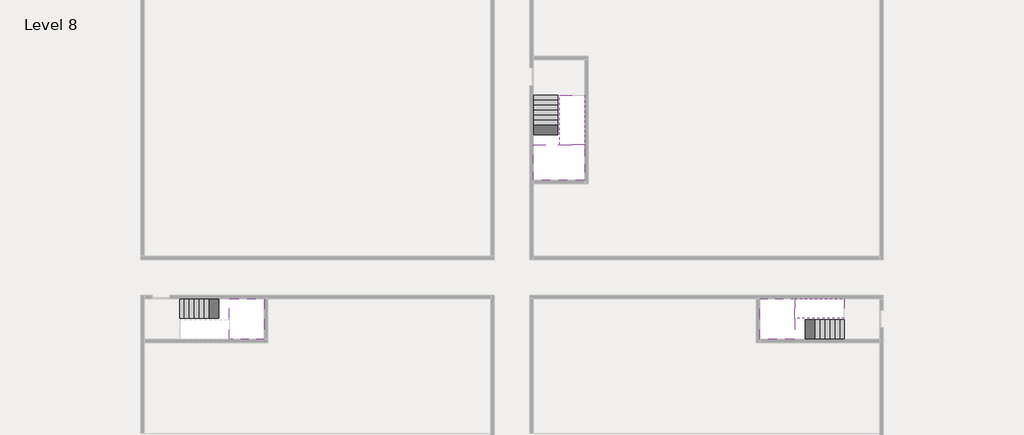
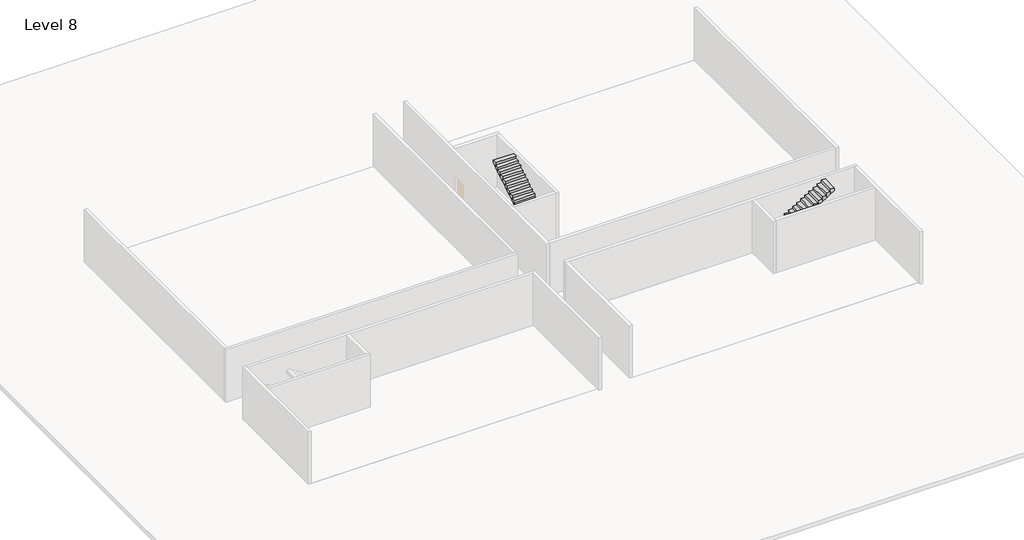
# One storey, part 2 of 2: 5 stair flights, 3 slabs.
"""IFC4 building model written with IfcOpenShell, lengths in millimetres."""

from ifc_helpers import new_model, si_unit, origin, place, context, project, spatial, faceted_brep, element, save

model = new_model("IFC4")

# Units and contexts
model_context = context("Model", 3, world=origin())
ifc_project = project(units=[si_unit("LENGTHUNIT", "METRE", prefix="MILLI")], contexts=[model_context])

# Site, building, storey
site = spatial("IfcSite", under=ifc_project)
building = spatial("IfcBuilding", under=site)
storey = spatial("IfcBuildingStorey", under=building, Name="Level 8", Elevation=26600.0)

# Slabs
placement = place(None, origin())
element("IfcSlab", 1, at=placement, inside=storey, context=model_context, shape_type="Brep", body=[
    faceted_brep([(8190.1058784, -42918.09644, 28500.0), (8190.1058784, -44018.09644, 28500.0), (8190.1058784, -44118.09644, 28500.0), (8190.1058784, -45218.09644, 28500.0), (8390.7194421, -45218.09644, 28500.0), (10190.1058784, -45218.09644, 28500.0), (10190.1058784, -42918.09644, 28500.0), (8269.4923146, -42918.09644, 28500.0), (8190.1058784, -42918.09644, 28327.2727273), (8190.1058784, -42918.09644, 28151.0278478), (8190.1058784, -44018.09644, 28151.0278478), (8190.1058784, -44018.09644, 28200.0), (8190.1058784, -44118.09644, 28200.0), (8190.1058784, -44118.09644, 28323.7551205), (8190.1058784, -45218.09644, 28323.7551205), (8390.7194421, -45218.09644, 28200.0), (10190.1058784, -45218.09644, 28200.0), (10190.1058784, -42918.09644, 28200.0), (8269.4923146, -42918.09644, 28200.0), (8390.7194421, -44118.09644, 28200.0), (8269.4923146, -44018.09644, 28200.0)], [[[0, 1, 2, 3, 4, 5, 6, 7]], [[1, 0, 8, 9, 10, 11]], [[2, 1, 11, 12, 13]], [[3, 2, 13, 14]], [[3, 14, 15, 16, 5, 4]], [[6, 5, 16, 17]], [[9, 8, 0, 7, 6, 17, 18]], [[19, 12, 11, 20, 18, 17, 16, 15]], [[12, 19, 13]], [[18, 20, 10, 9]], [[20, 11, 10]], [[19, 15, 14, 13]]]),
])
element("IfcSlab", 2, at=placement, inside=storey, context=model_context, shape_type="Brep", body=[
    faceted_brep([(40190.1058784, -45218.09644, 28500.0), (40190.1058784, -44118.09644, 28500.0), (40190.1058784, -44018.09644, 28500.0), (40190.1058784, -42918.09644, 28500.0), (39989.4923146, -42918.09644, 28500.0), (38190.1058784, -42918.09644, 28500.0), (38190.1058784, -45218.09644, 28500.0), (40110.7194421, -45218.09644, 28500.0), (40190.1058784, -45218.09644, 28327.2727273), (40190.1058784, -45218.09644, 28151.0278478), (40190.1058784, -44118.09644, 28151.0278478), (40190.1058784, -44118.09644, 28200.0), (40190.1058784, -44018.09644, 28200.0), (40190.1058784, -44018.09644, 28323.7551205), (40190.1058784, -42918.09644, 28323.7551205), (39989.4923146, -42918.09644, 28200.0), (38190.1058784, -42918.09644, 28200.0), (38190.1058784, -45218.09644, 28200.0), (40110.7194421, -45218.09644, 28200.0), (39989.4923146, -44018.09644, 28200.0), (40110.7194421, -44118.09644, 28200.0)], [[[0, 1, 2, 3, 4, 5, 6, 7]], [[1, 0, 8, 9, 10, 11]], [[2, 1, 11, 12, 13]], [[3, 2, 13, 14]], [[3, 14, 15, 16, 5, 4]], [[6, 5, 16, 17]], [[9, 8, 0, 7, 6, 17, 18]], [[19, 12, 11, 20, 18, 17, 16, 15]], [[12, 19, 13]], [[18, 20, 10, 9]], [[20, 11, 10]], [[19, 15, 14, 13]]]),
])
element("IfcSlab", 3, at=placement, inside=storey, context=model_context, shape_type="Brep", body=[
    faceted_brep([(26790.1058784, -34218.09644, 28500.0), (25390.1058784, -34218.09644, 28500.0), (25390.1058784, -34297.4828763, 28500.0), (25390.1058784, -36218.09644, 28500.0), (28290.1058784, -36218.09644, 28500.0), (28290.1058784, -34418.7100038, 28500.0), (28290.1058784, -34218.09644, 28500.0), (26890.1058784, -34218.09644, 28500.0), (26790.1058784, -34218.09644, 28200.0), (26790.1058784, -34218.09644, 28151.0278478), (25390.1058784, -34218.09644, 28151.0278478), (25390.1058784, -34218.09644, 28327.2727273), (25390.1058784, -34297.4828763, 28200.0), (25390.1058784, -36218.09644, 28200.0), (28290.1058784, -36218.09644, 28200.0), (28290.1058784, -34418.7100038, 28200.0), (28290.1058784, -34218.09644, 28323.7551205), (26890.1058784, -34218.09644, 28323.7551205), (26890.1058784, -34218.09644, 28200.0), (26890.1058784, -34418.7100038, 28200.0), (26790.1058784, -34297.4828763, 28200.0)], [[[0, 1, 2, 3, 4, 5, 6, 7]], [[1, 0, 8, 9, 10, 11]], [[1, 11, 10, 12, 13, 3, 2]], [[4, 3, 13, 14]], [[4, 14, 15, 16, 6, 5]], [[7, 6, 16, 17]], [[0, 7, 17, 18, 8]], [[18, 19, 15, 14, 13, 12, 20, 8]], [[19, 18, 17]], [[20, 12, 10, 9]], [[8, 20, 9]], [[15, 19, 17, 16]]]),
])

# Stair flights
element("IfcStairFlight", 4, at=placement, inside=storey, context=model_context, shape_type="Brep", body=[
    faceted_brep([(5670.1058784, -42918.09644, 26772.7272727), (5390.1058784, -42918.09644, 26772.7272727), (5390.1058784, -44018.09644, 26772.7272727), (5670.1058784, -44018.09644, 26772.7272727), (5670.1058784, -42918.09644, 26600.0), (5390.1058784, -42918.09644, 26600.0), (5390.1058784, -44018.09644, 26600.0), (5670.1058784, -44018.09644, 26600.0), (5950.1058784, -42918.09644, 26945.4545455), (5670.1058784, -42918.09644, 26945.4545455), (5670.1058784, -44018.09644, 26945.4545455), (5950.1058784, -44018.09644, 26945.4545455), (5950.1058784, -42918.09644, 26769.209666), (5675.8081041, -42918.09644, 26600.0), (5675.8081041, -44018.09644, 26600.0), (5950.1058784, -44018.09644, 26769.209666), (6230.1058784, -42918.09644, 27118.1818182), (5950.1058784, -42918.09644, 27118.1818182), (5950.1058784, -44018.09644, 27118.1818182), (6230.1058784, -44018.09644, 27118.1818182), (6230.1058784, -42918.09644, 26941.9369387), (6230.1058784, -44018.09644, 26941.9369387), (6510.1058784, -42918.09644, 27290.9090909), (6230.1058784, -42918.09644, 27290.9090909), (6230.1058784, -44018.09644, 27290.9090909), (6510.1058784, -44018.09644, 27290.9090909), (6510.1058784, -42918.09644, 27114.6642114), (6510.1058784, -44018.09644, 27114.6642114), (6790.1058784, -42918.09644, 27463.6363636), (6510.1058784, -42918.09644, 27463.6363636), (6510.1058784, -44018.09644, 27463.6363636), (6790.1058784, -44018.09644, 27463.6363636), (6790.1058784, -42918.09644, 27287.3914841), (6790.1058784, -44018.09644, 27287.3914841), (7070.1058784, -42918.09644, 27636.3636364), (6790.1058784, -42918.09644, 27636.3636364), (6790.1058784, -44018.09644, 27636.3636364), (7070.1058784, -44018.09644, 27636.3636364), (7070.1058784, -42918.09644, 27460.1187569), (7070.1058784, -44018.09644, 27460.1187569), (7350.1058784, -42918.09644, 27809.0909091), (7070.1058784, -42918.09644, 27809.0909091), (7070.1058784, -44018.09644, 27809.0909091), (7350.1058784, -44018.09644, 27809.0909091), (7350.1058784, -42918.09644, 27632.8460296), (7350.1058784, -44018.09644, 27632.8460296), (7630.1058784, -42918.09644, 27981.8181818), (7350.1058784, -42918.09644, 27981.8181818), (7350.1058784, -44018.09644, 27981.8181818), (7630.1058784, -44018.09644, 27981.8181818), (7630.1058784, -42918.09644, 27805.5733023), (7630.1058784, -44018.09644, 27805.5733023), (7910.1058784, -42918.09644, 28154.5454545), (7630.1058784, -42918.09644, 28154.5454545), (7630.1058784, -44018.09644, 28154.5454545), (7910.1058784, -44018.09644, 28154.5454545), (7910.1058784, -42918.09644, 27978.3005751), (7910.1058784, -44018.09644, 27978.3005751), (8190.1058784, -42918.09644, 28327.2727273), (7910.1058784, -42918.09644, 28327.2727273), (7910.1058784, -44018.09644, 28327.2727273), (8190.1058784, -44018.09644, 28327.2727273), (8190.1058784, -42918.09644, 28151.0278478), (8190.1058784, -44018.09644, 28151.0278478), (8190.1058784, -44018.09644, 28200.0)], [[[0, 1, 2, 3]], [[1, 0, 4, 5]], [[2, 1, 5, 6]], [[3, 2, 6, 7]], [[8, 9, 10, 11]], [[4, 0, 9, 8, 12, 13]], [[0, 3, 10, 9]], [[3, 7, 14, 15, 11, 10]], [[16, 17, 18, 19]], [[17, 16, 20, 12, 8]], [[8, 11, 18, 17]], [[19, 18, 11, 15, 21]], [[22, 23, 24, 25]], [[23, 22, 26, 20, 16]], [[16, 19, 24, 23]], [[25, 24, 19, 21, 27]], [[28, 29, 30, 31]], [[29, 28, 32, 26, 22]], [[22, 25, 30, 29]], [[31, 30, 25, 27, 33]], [[34, 35, 36, 37]], [[35, 34, 38, 32, 28]], [[28, 31, 36, 35]], [[37, 36, 31, 33, 39]], [[40, 41, 42, 43]], [[41, 40, 44, 38, 34]], [[34, 37, 42, 41]], [[43, 42, 37, 39, 45]], [[46, 47, 48, 49]], [[47, 46, 50, 44, 40]], [[40, 43, 48, 47]], [[49, 48, 43, 45, 51]], [[52, 53, 54, 55]], [[53, 52, 56, 50, 46]], [[46, 49, 54, 53]], [[55, 54, 49, 51, 57]], [[58, 59, 60, 61]], [[59, 58, 62, 56, 52]], [[52, 55, 60, 59]], [[61, 60, 55, 57, 63, 64]], [[58, 61, 64, 63, 62]], [[5, 4, 13, 14, 7, 6]], [[14, 13, 12, 20, 26, 32, 38, 44, 50, 56, 62, 63, 57, 51, 45, 39, 33, 27, 21, 15]]]),
])
element("IfcStairFlight", 5, at=placement, inside=storey, context=model_context, shape_type="Brep", body=[
    faceted_brep([(42710.1058784, -45218.09644, 26772.7272727), (42990.1058784, -45218.09644, 26772.7272727), (42990.1058784, -44118.09644, 26772.7272727), (42710.1058784, -44118.09644, 26772.7272727), (42710.1058784, -45218.09644, 26600.0), (42990.1058784, -45218.09644, 26600.0), (42990.1058784, -44118.09644, 26600.0), (42710.1058784, -44118.09644, 26600.0), (42430.1058784, -45218.09644, 26945.4545455), (42710.1058784, -45218.09644, 26945.4545455), (42710.1058784, -44118.09644, 26945.4545455), (42430.1058784, -44118.09644, 26945.4545455), (42430.1058784, -45218.09644, 26769.209666), (42704.4036527, -45218.09644, 26600.0), (42704.4036527, -44118.09644, 26600.0), (42430.1058784, -44118.09644, 26769.209666), (42150.1058784, -45218.09644, 27118.1818182), (42430.1058784, -45218.09644, 27118.1818182), (42430.1058784, -44118.09644, 27118.1818182), (42150.1058784, -44118.09644, 27118.1818182), (42150.1058784, -45218.09644, 26941.9369387), (42150.1058784, -44118.09644, 26941.9369387), (41870.1058784, -45218.09644, 27290.9090909), (42150.1058784, -45218.09644, 27290.9090909), (42150.1058784, -44118.09644, 27290.9090909), (41870.1058784, -44118.09644, 27290.9090909), (41870.1058784, -45218.09644, 27114.6642114), (41870.1058784, -44118.09644, 27114.6642114), (41590.1058784, -45218.09644, 27463.6363636), (41870.1058784, -45218.09644, 27463.6363636), (41870.1058784, -44118.09644, 27463.6363636), (41590.1058784, -44118.09644, 27463.6363636), (41590.1058784, -45218.09644, 27287.3914841), (41590.1058784, -44118.09644, 27287.3914841), (41310.1058784, -45218.09644, 27636.3636364), (41590.1058784, -45218.09644, 27636.3636364), (41590.1058784, -44118.09644, 27636.3636364), (41310.1058784, -44118.09644, 27636.3636364), (41310.1058784, -45218.09644, 27460.1187569), (41310.1058784, -44118.09644, 27460.1187569), (41030.1058784, -45218.09644, 27809.0909091), (41310.1058784, -45218.09644, 27809.0909091), (41310.1058784, -44118.09644, 27809.0909091), (41030.1058784, -44118.09644, 27809.0909091), (41030.1058784, -45218.09644, 27632.8460296), (41030.1058784, -44118.09644, 27632.8460296), (40750.1058784, -45218.09644, 27981.8181818), (41030.1058784, -45218.09644, 27981.8181818), (41030.1058784, -44118.09644, 27981.8181818), (40750.1058784, -44118.09644, 27981.8181818), (40750.1058784, -45218.09644, 27805.5733023), (40750.1058784, -44118.09644, 27805.5733023), (40470.1058784, -45218.09644, 28154.5454545), (40750.1058784, -45218.09644, 28154.5454545), (40750.1058784, -44118.09644, 28154.5454545), (40470.1058784, -44118.09644, 28154.5454545), (40470.1058784, -45218.09644, 27978.3005751), (40470.1058784, -44118.09644, 27978.3005751), (40190.1058784, -45218.09644, 28327.2727273), (40470.1058784, -45218.09644, 28327.2727273), (40470.1058784, -44118.09644, 28327.2727273), (40190.1058784, -44118.09644, 28327.2727273), (40190.1058784, -45218.09644, 28151.0278478), (40190.1058784, -44118.09644, 28151.0278478), (40190.1058784, -44118.09644, 28200.0)], [[[0, 1, 2, 3]], [[1, 0, 4, 5]], [[2, 1, 5, 6]], [[3, 2, 6, 7]], [[8, 9, 10, 11]], [[4, 0, 9, 8, 12, 13]], [[0, 3, 10, 9]], [[3, 7, 14, 15, 11, 10]], [[16, 17, 18, 19]], [[17, 16, 20, 12, 8]], [[8, 11, 18, 17]], [[19, 18, 11, 15, 21]], [[22, 23, 24, 25]], [[23, 22, 26, 20, 16]], [[16, 19, 24, 23]], [[25, 24, 19, 21, 27]], [[28, 29, 30, 31]], [[29, 28, 32, 26, 22]], [[22, 25, 30, 29]], [[31, 30, 25, 27, 33]], [[34, 35, 36, 37]], [[35, 34, 38, 32, 28]], [[28, 31, 36, 35]], [[37, 36, 31, 33, 39]], [[40, 41, 42, 43]], [[41, 40, 44, 38, 34]], [[34, 37, 42, 41]], [[43, 42, 37, 39, 45]], [[46, 47, 48, 49]], [[47, 46, 50, 44, 40]], [[40, 43, 48, 47]], [[49, 48, 43, 45, 51]], [[52, 53, 54, 55]], [[53, 52, 56, 50, 46]], [[46, 49, 54, 53]], [[55, 54, 49, 51, 57]], [[58, 59, 60, 61]], [[59, 58, 62, 56, 52]], [[52, 55, 60, 59]], [[61, 60, 55, 57, 63, 64]], [[58, 61, 64, 63, 62]], [[5, 4, 13, 14, 7, 6]], [[14, 13, 12, 20, 26, 32, 38, 44, 50, 56, 62, 63, 57, 51, 45, 39, 33, 27, 21, 15]]]),
])
element("IfcStairFlight", 6, at=placement, inside=storey, context=model_context, shape_type="Brep", body=[
    faceted_brep([(40470.1058784, -42918.09644, 28672.7272727), (40190.1058784, -42918.09644, 28672.7272727), (40190.1058784, -44018.09644, 28672.7272727), (40470.1058784, -44018.09644, 28672.7272727), (40470.1058784, -42918.09644, 28496.4823932), (40190.1058784, -42918.09644, 28323.7551205), (40190.1058784, -42918.09644, 28500.0), (40190.1058784, -44018.09644, 28323.7551205), (40470.1058784, -44018.09644, 28496.4823932), (40750.1058784, -42918.09644, 28845.4545455), (40470.1058784, -42918.09644, 28845.4545455), (40470.1058784, -44018.09644, 28845.4545455), (40750.1058784, -44018.09644, 28845.4545455), (40750.1058784, -42918.09644, 28669.209666), (40750.1058784, -44018.09644, 28669.209666), (41030.1058784, -42918.09644, 29018.1818182), (40750.1058784, -42918.09644, 29018.1818182), (40750.1058784, -44018.09644, 29018.1818182), (41030.1058784, -44018.09644, 29018.1818182), (41030.1058784, -42918.09644, 28841.9369387), (41030.1058784, -44018.09644, 28841.9369387), (41310.1058784, -42918.09644, 29190.9090909), (41030.1058784, -42918.09644, 29190.9090909), (41030.1058784, -44018.09644, 29190.9090909), (41310.1058784, -44018.09644, 29190.9090909), (41310.1058784, -42918.09644, 29014.6642114), (41310.1058784, -44018.09644, 29014.6642114), (41590.1058784, -42918.09644, 29363.6363636), (41310.1058784, -42918.09644, 29363.6363636), (41310.1058784, -44018.09644, 29363.6363636), (41590.1058784, -44018.09644, 29363.6363636), (41590.1058784, -42918.09644, 29187.3914841), (41590.1058784, -44018.09644, 29187.3914841), (41870.1058784, -42918.09644, 29536.3636364), (41590.1058784, -42918.09644, 29536.3636364), (41590.1058784, -44018.09644, 29536.3636364), (41870.1058784, -44018.09644, 29536.3636364), (41870.1058784, -42918.09644, 29360.1187569), (41870.1058784, -44018.09644, 29360.1187569), (42150.1058784, -42918.09644, 29709.0909091), (41870.1058784, -42918.09644, 29709.0909091), (41870.1058784, -44018.09644, 29709.0909091), (42150.1058784, -44018.09644, 29709.0909091), (42150.1058784, -42918.09644, 29532.8460296), (42150.1058784, -44018.09644, 29532.8460296), (42430.1058784, -42918.09644, 29881.8181818), (42150.1058784, -42918.09644, 29881.8181818), (42150.1058784, -44018.09644, 29881.8181818), (42430.1058784, -44018.09644, 29881.8181818), (42430.1058784, -42918.09644, 29705.5733023), (42430.1058784, -44018.09644, 29705.5733023), (42710.1058784, -42918.09644, 30054.5454545), (42430.1058784, -42918.09644, 30054.5454545), (42430.1058784, -44018.09644, 30054.5454545), (42710.1058784, -44018.09644, 30054.5454545), (42710.1058784, -42918.09644, 29878.3005751), (42710.1058784, -44018.09644, 29878.3005751), (42990.1058784, -42918.09644, 30227.2727273), (42710.1058784, -42918.09644, 30227.2727273), (42710.1058784, -44018.09644, 30227.2727273), (42990.1058784, -44018.09644, 30227.2727273), (42990.1058784, -42918.09644, 30051.0278478), (42990.1058784, -44018.09644, 30051.0278478)], [[[0, 1, 2, 3]], [[1, 0, 4, 5, 6]], [[2, 1, 6, 5, 7]], [[3, 2, 7, 8]], [[9, 10, 11, 12]], [[10, 9, 13, 4, 0]], [[11, 10, 0, 3]], [[12, 11, 3, 8, 14]], [[15, 16, 17, 18]], [[16, 15, 19, 13, 9]], [[17, 16, 9, 12]], [[18, 17, 12, 14, 20]], [[21, 22, 23, 24]], [[22, 21, 25, 19, 15]], [[23, 22, 15, 18]], [[24, 23, 18, 20, 26]], [[27, 28, 29, 30]], [[28, 27, 31, 25, 21]], [[29, 28, 21, 24]], [[30, 29, 24, 26, 32]], [[33, 34, 35, 36]], [[34, 33, 37, 31, 27]], [[35, 34, 27, 30]], [[36, 35, 30, 32, 38]], [[39, 40, 41, 42]], [[40, 39, 43, 37, 33]], [[41, 40, 33, 36]], [[42, 41, 36, 38, 44]], [[45, 46, 47, 48]], [[46, 45, 49, 43, 39]], [[47, 46, 39, 42]], [[48, 47, 42, 44, 50]], [[51, 52, 53, 54]], [[52, 51, 55, 49, 45]], [[53, 52, 45, 48]], [[54, 53, 48, 50, 56]], [[57, 58, 59, 60]], [[58, 57, 61, 55, 51]], [[59, 58, 51, 54]], [[60, 59, 54, 56, 62]], [[57, 60, 62, 61]], [[5, 4, 13, 19, 25, 31, 37, 43, 49, 55, 61, 62, 56, 50, 44, 38, 32, 26, 20, 14, 8, 7]]]),
])
element("IfcStairFlight", 7, at=placement, inside=storey, context=model_context, shape_type="Brep", body=[
    faceted_brep([(26790.1058784, -31698.09644, 26772.7272727), (26790.1058784, -31418.09644, 26772.7272727), (25390.1058784, -31418.09644, 26772.7272727), (25390.1058784, -31698.09644, 26772.7272727), (26790.1058784, -31698.09644, 26600.0), (26790.1058784, -31418.09644, 26600.0), (25390.1058784, -31418.09644, 26600.0), (25390.1058784, -31698.09644, 26600.0), (26790.1058784, -31978.09644, 26945.4545455), (26790.1058784, -31698.09644, 26945.4545455), (25390.1058784, -31698.09644, 26945.4545455), (25390.1058784, -31978.09644, 26945.4545455), (26790.1058784, -31978.09644, 26769.209666), (26790.1058784, -31703.7986657, 26600.0), (25390.1058784, -31703.7986657, 26600.0), (25390.1058784, -31978.09644, 26769.209666), (26790.1058784, -32258.09644, 27118.1818182), (26790.1058784, -31978.09644, 27118.1818182), (25390.1058784, -31978.09644, 27118.1818182), (25390.1058784, -32258.09644, 27118.1818182), (26790.1058784, -32258.09644, 26941.9369387), (25390.1058784, -32258.09644, 26941.9369387), (26790.1058784, -32538.09644, 27290.9090909), (26790.1058784, -32258.09644, 27290.9090909), (25390.1058784, -32258.09644, 27290.9090909), (25390.1058784, -32538.09644, 27290.9090909), (26790.1058784, -32538.09644, 27114.6642114), (25390.1058784, -32538.09644, 27114.6642114), (26790.1058784, -32818.09644, 27463.6363636), (26790.1058784, -32538.09644, 27463.6363636), (25390.1058784, -32538.09644, 27463.6363636), (25390.1058784, -32818.09644, 27463.6363636), (26790.1058784, -32818.09644, 27287.3914841), (25390.1058784, -32818.09644, 27287.3914841), (26790.1058784, -33098.09644, 27636.3636364), (26790.1058784, -32818.09644, 27636.3636364), (25390.1058784, -32818.09644, 27636.3636364), (25390.1058784, -33098.09644, 27636.3636364), (26790.1058784, -33098.09644, 27460.1187569), (25390.1058784, -33098.09644, 27460.1187569), (26790.1058784, -33378.09644, 27809.0909091), (26790.1058784, -33098.09644, 27809.0909091), (25390.1058784, -33098.09644, 27809.0909091), (25390.1058784, -33378.09644, 27809.0909091), (26790.1058784, -33378.09644, 27632.8460296), (25390.1058784, -33378.09644, 27632.8460296), (26790.1058784, -33658.09644, 27981.8181818), (26790.1058784, -33378.09644, 27981.8181818), (25390.1058784, -33378.09644, 27981.8181818), (25390.1058784, -33658.09644, 27981.8181818), (26790.1058784, -33658.09644, 27805.5733023), (25390.1058784, -33658.09644, 27805.5733023), (26790.1058784, -33938.09644, 28154.5454545), (26790.1058784, -33658.09644, 28154.5454545), (25390.1058784, -33658.09644, 28154.5454545), (25390.1058784, -33938.09644, 28154.5454545), (26790.1058784, -33938.09644, 27978.3005751), (25390.1058784, -33938.09644, 27978.3005751), (26790.1058784, -34218.09644, 28327.2727273), (26790.1058784, -33938.09644, 28327.2727273), (25390.1058784, -33938.09644, 28327.2727273), (25390.1058784, -34218.09644, 28327.2727273), (26790.1058784, -34218.09644, 28200.0), (26790.1058784, -34218.09644, 28151.0278478), (25390.1058784, -34218.09644, 28151.0278478)], [[[0, 1, 2, 3]], [[1, 0, 4, 5]], [[2, 1, 5, 6]], [[3, 2, 6, 7]], [[8, 9, 10, 11]], [[4, 0, 9, 8, 12, 13]], [[0, 3, 10, 9]], [[3, 7, 14, 15, 11, 10]], [[16, 17, 18, 19]], [[17, 16, 20, 12, 8]], [[8, 11, 18, 17]], [[19, 18, 11, 15, 21]], [[22, 23, 24, 25]], [[23, 22, 26, 20, 16]], [[16, 19, 24, 23]], [[25, 24, 19, 21, 27]], [[28, 29, 30, 31]], [[29, 28, 32, 26, 22]], [[22, 25, 30, 29]], [[31, 30, 25, 27, 33]], [[34, 35, 36, 37]], [[35, 34, 38, 32, 28]], [[28, 31, 36, 35]], [[37, 36, 31, 33, 39]], [[40, 41, 42, 43]], [[41, 40, 44, 38, 34]], [[34, 37, 42, 41]], [[43, 42, 37, 39, 45]], [[46, 47, 48, 49]], [[47, 46, 50, 44, 40]], [[40, 43, 48, 47]], [[49, 48, 43, 45, 51]], [[52, 53, 54, 55]], [[53, 52, 56, 50, 46]], [[46, 49, 54, 53]], [[55, 54, 49, 51, 57]], [[58, 59, 60, 61]], [[59, 58, 62, 63, 56, 52]], [[52, 55, 60, 59]], [[61, 60, 55, 57, 64]], [[58, 61, 64, 63, 62]], [[5, 4, 13, 14, 7, 6]], [[14, 13, 12, 20, 26, 32, 38, 44, 50, 56, 63, 64, 57, 51, 45, 39, 33, 27, 21, 15]]]),
])
element("IfcStairFlight", 8, at=placement, inside=storey, context=model_context, shape_type="Brep", body=[
    faceted_brep([(26890.1058784, -33938.09644, 28672.7272727), (26890.1058784, -34218.09644, 28672.7272727), (28290.1058784, -34218.09644, 28672.7272727), (28290.1058784, -33938.09644, 28672.7272727), (26890.1058784, -33938.09644, 28496.4823932), (26890.1058784, -34218.09644, 28323.7551205), (28290.1058784, -34218.09644, 28323.7551205), (28290.1058784, -34218.09644, 28500.0), (28290.1058784, -33938.09644, 28496.4823932), (26890.1058784, -33658.09644, 28845.4545455), (26890.1058784, -33938.09644, 28845.4545455), (28290.1058784, -33938.09644, 28845.4545455), (28290.1058784, -33658.09644, 28845.4545455), (26890.1058784, -33658.09644, 28669.209666), (28290.1058784, -33658.09644, 28669.209666), (26890.1058784, -33378.09644, 29018.1818182), (26890.1058784, -33658.09644, 29018.1818182), (28290.1058784, -33658.09644, 29018.1818182), (28290.1058784, -33378.09644, 29018.1818182), (26890.1058784, -33378.09644, 28841.9369387), (28290.1058784, -33378.09644, 28841.9369387), (26890.1058784, -33098.09644, 29190.9090909), (26890.1058784, -33378.09644, 29190.9090909), (28290.1058784, -33378.09644, 29190.9090909), (28290.1058784, -33098.09644, 29190.9090909), (26890.1058784, -33098.09644, 29014.6642114), (28290.1058784, -33098.09644, 29014.6642114), (26890.1058784, -32818.09644, 29363.6363636), (26890.1058784, -33098.09644, 29363.6363636), (28290.1058784, -33098.09644, 29363.6363636), (28290.1058784, -32818.09644, 29363.6363636), (26890.1058784, -32818.09644, 29187.3914841), (28290.1058784, -32818.09644, 29187.3914841), (26890.1058784, -32538.09644, 29536.3636364), (26890.1058784, -32818.09644, 29536.3636364), (28290.1058784, -32818.09644, 29536.3636364), (28290.1058784, -32538.09644, 29536.3636364), (26890.1058784, -32538.09644, 29360.1187569), (28290.1058784, -32538.09644, 29360.1187569), (26890.1058784, -32258.09644, 29709.0909091), (26890.1058784, -32538.09644, 29709.0909091), (28290.1058784, -32538.09644, 29709.0909091), (28290.1058784, -32258.09644, 29709.0909091), (26890.1058784, -32258.09644, 29532.8460296), (28290.1058784, -32258.09644, 29532.8460296), (26890.1058784, -31978.09644, 29881.8181818), (26890.1058784, -32258.09644, 29881.8181818), (28290.1058784, -32258.09644, 29881.8181818), (28290.1058784, -31978.09644, 29881.8181818), (26890.1058784, -31978.09644, 29705.5733023), (28290.1058784, -31978.09644, 29705.5733023), (26890.1058784, -31698.09644, 30054.5454545), (26890.1058784, -31978.09644, 30054.5454545), (28290.1058784, -31978.09644, 30054.5454545), (28290.1058784, -31698.09644, 30054.5454545), (26890.1058784, -31698.09644, 29878.3005751), (28290.1058784, -31698.09644, 29878.3005751), (26890.1058784, -31418.09644, 30227.2727273), (26890.1058784, -31698.09644, 30227.2727273), (28290.1058784, -31698.09644, 30227.2727273), (28290.1058784, -31418.09644, 30227.2727273), (26890.1058784, -31418.09644, 30051.0278478), (28290.1058784, -31418.09644, 30051.0278478)], [[[0, 1, 2, 3]], [[1, 0, 4, 5]], [[2, 1, 5, 6, 7]], [[3, 2, 7, 6, 8]], [[9, 10, 11, 12]], [[10, 9, 13, 4, 0]], [[11, 10, 0, 3]], [[12, 11, 3, 8, 14]], [[15, 16, 17, 18]], [[16, 15, 19, 13, 9]], [[17, 16, 9, 12]], [[18, 17, 12, 14, 20]], [[21, 22, 23, 24]], [[22, 21, 25, 19, 15]], [[23, 22, 15, 18]], [[24, 23, 18, 20, 26]], [[27, 28, 29, 30]], [[28, 27, 31, 25, 21]], [[29, 28, 21, 24]], [[30, 29, 24, 26, 32]], [[33, 34, 35, 36]], [[34, 33, 37, 31, 27]], [[35, 34, 27, 30]], [[36, 35, 30, 32, 38]], [[39, 40, 41, 42]], [[40, 39, 43, 37, 33]], [[41, 40, 33, 36]], [[42, 41, 36, 38, 44]], [[45, 46, 47, 48]], [[46, 45, 49, 43, 39]], [[47, 46, 39, 42]], [[48, 47, 42, 44, 50]], [[51, 52, 53, 54]], [[52, 51, 55, 49, 45]], [[53, 52, 45, 48]], [[54, 53, 48, 50, 56]], [[57, 58, 59, 60]], [[58, 57, 61, 55, 51]], [[59, 58, 51, 54]], [[60, 59, 54, 56, 62]], [[57, 60, 62, 61]], [[5, 4, 13, 19, 25, 31, 37, 43, 49, 55, 61, 62, 56, 50, 44, 38, 32, 26, 20, 14, 8, 6]]]),
])

save(model, "model.ifc")
